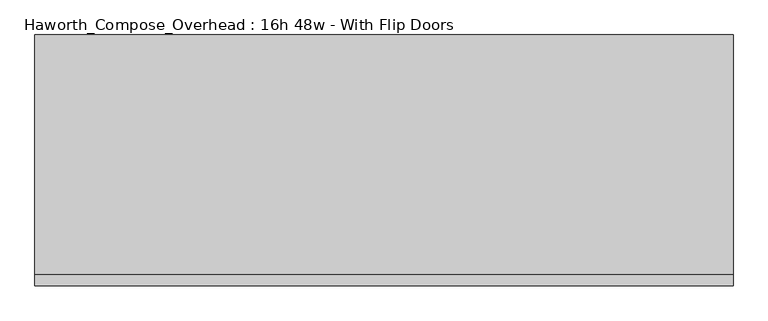
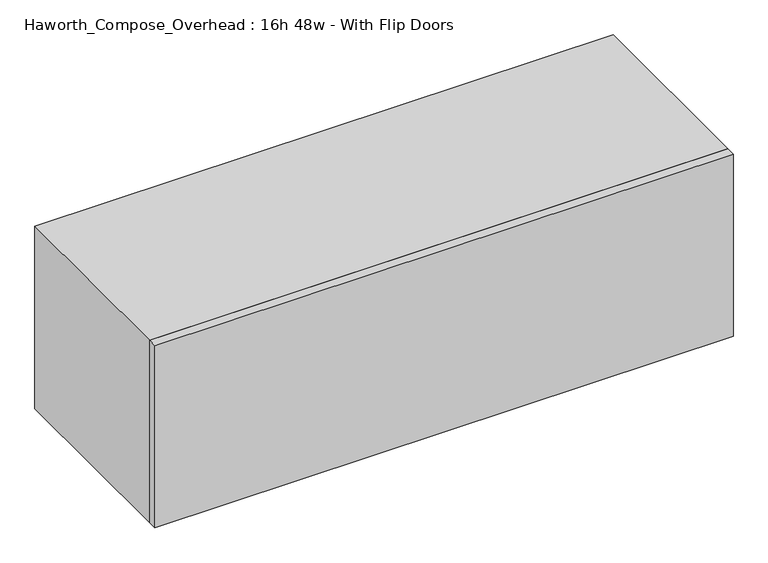
"""IFC4 building model written with IfcOpenShell, lengths in millimetres: furniture geometry, Haworth_Compose_Overhead : 16h 48w - With Flip Doors."""

from ifc_helpers import new_model, si_unit, frame, origin, place, context, project, spatial, polyline, outline, extrude, source, transform, mapped, element, save


def haworth_compose_overhead_16h_48w_with_flip_doors_3f47ee62(model_context):
    return source(origin(), model_context, "Body", "SweptSolid", [
        extrude(outline(polyline([(774.7, -438.15), (-444.5, -438.15), (-444.5, -419.1), (774.7, -419.1), (774.7, -438.15)])), frame((0.0, 0.0, 1270.0), z_axis=(0.0, 0.0, 1.0), x_axis=(1.0, 0.0, 0.0)), (0.0, 0.0, 1.0), 406.4),
        extrude(outline(polyline([(749.3, -6.35), (-419.1, -6.35), (-419.1, 0.0), (749.3, 0.0), (749.3, -6.35)])), frame((0.0, 0.0, 1295.4), z_axis=(0.0, 0.0, 1.0), x_axis=(1.0, 0.0, 0.0)), (0.0, 0.0, 1.0), 355.6),
        extrude(outline(polyline([(1270.0, 774.7), (1676.4, 774.7), (1676.4, -444.5), (1270.0, -444.5), (1270.0, 774.7)]), holes=[polyline([(1651.0, 749.3), (1295.4, 749.3), (1295.4, -419.1), (1651.0, -419.1), (1651.0, 749.3)])]), frame((0.0, -419.1, 0.0), z_axis=(0.0, 1.0, 0.0), x_axis=(0.0, 0.0, 1.0)), (0.0, 0.0, 1.0), 419.1),
    ])


if __name__ == "__main__":
    model = new_model("IFC4")
    model_context = context("Model", 3, world=origin())
    ifc_project = project(units=[si_unit("LENGTHUNIT", "METRE", prefix="MILLI")], contexts=[model_context])
    site = spatial("IfcSite", under=ifc_project)
    building = spatial("IfcBuilding", under=site)
    placement = place(None, origin())
    haworth_compose_overhead_16h_48w_with_flip_doors_shape = haworth_compose_overhead_16h_48w_with_flip_doors_3f47ee62(model_context)
    element("IfcFurniture", 1, ObjectType="Haworth_Compose_Overhead : 16h 48w - With Flip Doors", at=placement, inside=building, context=model_context, shape_type="MappedRepresentation", body=[
        mapped(haworth_compose_overhead_16h_48w_with_flip_doors_shape, transform((0.0, 0.0, 0.0), x_axis=(1.0, 0.0, 0.0), y_axis=(0.0, 1.0, 0.0), z_axis=(0.0, 0.0, 1.0))),
    ])
    save(model, "model.ifc")
